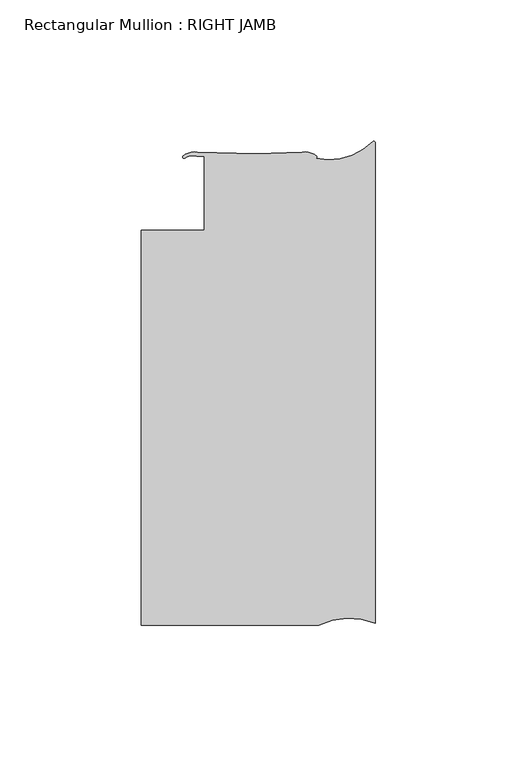
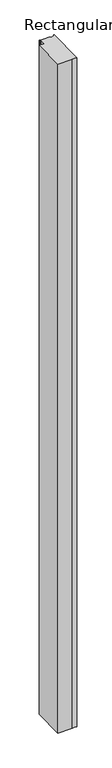
"""IFC4 building model written with IfcOpenShell, lengths in millimetres: member geometry, Rectangular Mullion : RIGHT JAMB."""

from ifc_helpers import new_model, si_unit, point, frame, frame_2d, origin, place, context, project, spatial, polyline, circle_curve, trimmed, segment, composite_curve, outline, extrude, source, transform, mapped, element, save


def rectangular_mullion_right_jamb_6fcac15a(model_context):
    return source(origin(), model_context, "Body", "SweptSolid", [
        extrude(outline(composite_curve([segment(polyline([(-20.0963261, -139.6678506), (-82.7624924, -139.6678506), (-82.7624924, 0.0321444), (-60.5419882, 0.0321444), (-60.5419882, 26.066058), (-63.0963214, 26.138737)]), True, "CONTINUOUS"), segment(trimmed(circle_curve(frame_2d((-64.5495981, 20.404382)), 5.9156437), [point((-63.0963214, 26.138737))], [point((-67.5034782, 25.5297535))], True, "CARTESIAN"), True, "CONTINUOUS"), segment(trimmed(circle_curve(frame_2d((-67.7627315, 25.8546247)), 0.4156364), [point((-67.5034782, 25.5297535))], [point((-68.0818732, 26.1208994))], False, "CARTESIAN"), True, "CONTINUOUS"), segment(trimmed(circle_curve(frame_2d((-64.0102162, 21.83947)), 5.9083862), [point((-68.0818732, 26.1208994))], [point((-62.9891992, 27.6589676))], False, "CARTESIAN"), True, "CONTINUOUS"), segment(polyline([(-62.9891992, 27.6589676), (-42.2708685, 27.0924664), (-25.9390512, 27.5800906)]), True, "CONTINUOUS"), segment(trimmed(circle_curve(frame_2d((-24.8202291, 21.75295)), 5.9335766), [point((-25.9390512, 27.5800906))], [point((-20.8094174, 26.1256746))], False, "CARTESIAN"), True, "CONTINUOUS"), segment(trimmed(circle_curve(frame_2d((-21.1241586, 25.8542127)), 0.4156364), [point((-20.8094174, 26.1256746))], [point((-21.1155372, 25.4386658))], False, "CARTESIAN"), True, "CONTINUOUS"), segment(trimmed(circle_curve(frame_2d((-16.3790646, 46.6710633)), 21.7542841), [point((-21.1155372, 25.4386658))], [point((-0.9068806, 31.3785684))], True, "CARTESIAN"), True, "CONTINUOUS"), segment(trimmed(circle_curve(frame_2d((-0.635, 30.8047166)), 0.635), [point((-0.9068806, 31.3785684))], [point((0.0, 30.8047166))], False, "CARTESIAN"), True, "CONTINUOUS"), segment(polyline([(0.0, 30.8047166), (0.0, -138.9531541)]), True, "CONTINUOUS"), segment(trimmed(circle_curve(frame_2d((-9.2332881, -162.2237154)), 25.0354275), [point((0.0, -138.9531541))], [point((-20.0963261, -139.6678506))], True, "CARTESIAN"), True, "CONTINUOUS")], self_intersect=False)), frame((0.0, 0.0, -3048.0), z_axis=(0.0, 0.0, 1.0), x_axis=(1.0, 0.0, 0.0)), (0.0, 0.0, 1.0), 3048.0),
    ])


if __name__ == "__main__":
    model = new_model("IFC4")
    model_context = context("Model", 3, world=origin())
    ifc_project = project(units=[si_unit("LENGTHUNIT", "METRE", prefix="MILLI")], contexts=[model_context])
    site = spatial("IfcSite", under=ifc_project)
    building = spatial("IfcBuilding", under=site)
    placement = place(None, origin())
    rectangular_mullion_right_jamb_shape = rectangular_mullion_right_jamb_6fcac15a(model_context)
    element("IfcMember", 1, ObjectType="Rectangular Mullion : RIGHT JAMB", at=placement, inside=building, context=model_context, shape_type="MappedRepresentation", body=[
        mapped(rectangular_mullion_right_jamb_shape, transform((0.0, 0.0, 0.0), x_axis=(1.0, 0.0, 0.0), y_axis=(0.0, 1.0, 0.0), z_axis=(0.0, 0.0, 1.0))),
    ])
    save(model, "model.ifc")
